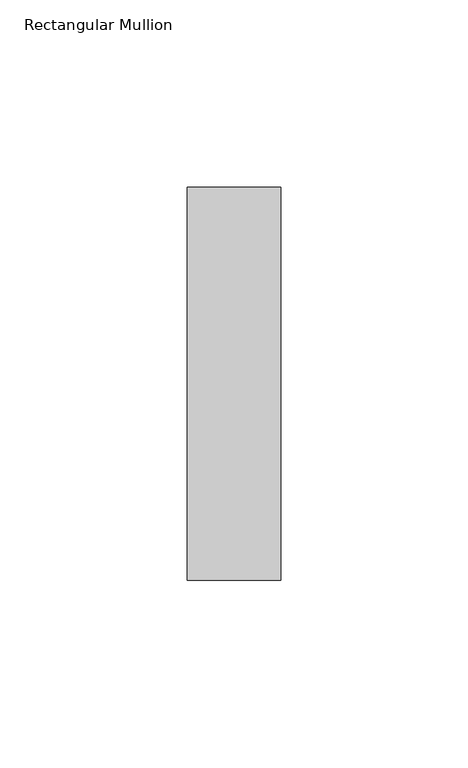
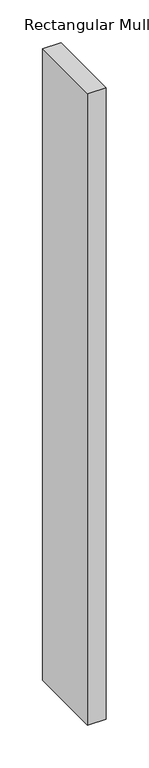
"""IFC4 building model written with IfcOpenShell, lengths in millimetres: member geometry, Rectangular Mullion."""

import ifcopenshell
import ifcopenshell.guid

model = None  # the IFC model being written
_history = None  # IfcOwnerHistory: only IFC2X3 demands one
_inside = {}  # id of a spatial element -> (the spatial element, [elements in it])
_under = {}  # id of a project, library or spatial element -> (it, [spatial elements below it])
_declared = {}  # id of a project -> (the project, [libraries it declares])
_typed = {}  # id of a type object -> (the type object, [elements of that type])
_made_of = {}  # id of a material, layer set ... -> (it, [elements and type objects made of it])


def new_model(schema):
    """Start an empty IFC model of exactly this schema.

    Asked for "IFC4X3", IfcOpenShell would pick the latest addendum, in which some entities
    have other attributes; the version numbers below select the first issue.
    IFC2X3 requires an IfcOwnerHistory on every rooted entity: one is made here for all.
    """
    global model, _history
    if schema == "IFC4X3":
        model = ifcopenshell.file(schema_version=(4, 3, 0, 0))
    else:
        model = ifcopenshell.file(schema=schema)
    _inside.clear()
    _under.clear()
    _declared.clear()
    _typed.clear()
    _made_of.clear()
    _history = None
    if model.schema == "IFC2X3":
        org = make("IfcOrganization", Name="unknown")
        user = make(
            "IfcPersonAndOrganization",
            ThePerson=make("IfcPerson", FamilyName="unknown"),
            TheOrganization=org,
        )
        app = make(
            "IfcApplication",
            ApplicationDeveloper=org,
            Version="unknown",
            ApplicationFullName="unknown",
            ApplicationIdentifier="unknown",
        )
        _history = make(
            "IfcOwnerHistory",
            OwningUser=user,
            OwningApplication=app,
            ChangeAction="ADDED",
            CreationDate=0,
        )
    return model


def make(cls, **values):
    """One entity of the class cls with the attributes given. An attribute that is None is left unset."""
    return model.create_entity(
        cls, **{name: value for name, value in values.items() if value is not None}
    )


def rooted(cls, **values):
    """An entity with a GlobalId (a new one), such as an element, a storey or a relation."""
    return make(cls, GlobalId=ifcopenshell.guid.new(), OwnerHistory=_history, **values)


def si_unit(unit_type, name, prefix=None):
    """IfcSIUnit, for example si_unit("LENGTHUNIT", "METRE", prefix="MILLI")."""
    return make("IfcSIUnit", UnitType=unit_type, Prefix=prefix, Name=name)


def assignment(units):
    """IfcUnitAssignment: the units of a project."""
    return None if units is None else make("IfcUnitAssignment", Units=units)


def point(xyz):
    """IfcCartesianPoint."""
    return None if xyz is None else make("IfcCartesianPoint", Coordinates=xyz)


def direction(xyz):
    """IfcDirection."""
    return None if xyz is None else make("IfcDirection", DirectionRatios=xyz)


def frame(location, z_axis=None, x_axis=None):
    """IfcAxis2Placement3D, a coordinate frame: its origin and axes. An axis left out is left unset."""
    return make(
        "IfcAxis2Placement3D",
        Location=point(location),
        Axis=direction(z_axis),
        RefDirection=direction(x_axis),
    )


def origin():
    """The frame at (0, 0, 0) with its axes left unset."""
    return frame((0.0, 0.0, 0.0))


def place(relative_to, where):
    """IfcLocalPlacement: puts the frame where relative to a parent placement (None: the world)."""
    return make(
        "IfcLocalPlacement", PlacementRelTo=relative_to, RelativePlacement=where
    )


def context(
    kind, dimensions, precision=None, world=None, true_north=None, identifier=None
):
    """IfcGeometricRepresentationContext, for example the 3D "Model" context."""
    return make(
        "IfcGeometricRepresentationContext",
        ContextIdentifier=identifier,
        ContextType=kind,
        CoordinateSpaceDimension=dimensions,
        Precision=precision,
        WorldCoordinateSystem=world,
        TrueNorth=true_north,
    )


def project(units=None, contexts=None):
    """IfcProject with its units and contexts."""
    return rooted(
        "IfcProject",
        Name="project",
        RepresentationContexts=contexts,
        UnitsInContext=assignment(units),
    )


def spatial(cls, under=None, at=None, **own):
    """A site, building, storey or space (cls), placed at a placement, below another one or the project."""
    s = rooted(cls, ObjectPlacement=at, **own)
    if under is not None:
        _under.setdefault(under.id(), (under, []))[1].append(s)
    return s


def polyline(points):
    """IfcPolyline through the points."""
    return make("IfcPolyline", Points=[point(p) for p in points])


def outline(outer, holes=None, kind="AREA"):
    """IfcArbitraryClosedProfileDef: a profile drawn as a closed curve; with holes, ...WithVoids."""
    if holes is None:
        return make("IfcArbitraryClosedProfileDef", ProfileType=kind, OuterCurve=outer)
    return make(
        "IfcArbitraryProfileDefWithVoids",
        ProfileType=kind,
        OuterCurve=outer,
        InnerCurves=holes,
    )


def extrude(swept, where, along, depth):
    """IfcExtrudedAreaSolid: the profile swept, set in the frame where, extruded along a direction by depth."""
    return make(
        "IfcExtrudedAreaSolid",
        SweptArea=swept,
        Position=where,
        ExtrudedDirection=direction(along),
        Depth=depth,
    )


def shape(context_of_items, identifier, shape_type, items):
    """IfcShapeRepresentation: the items that make up one representation, for example the "Body"."""
    return make(
        "IfcShapeRepresentation",
        ContextOfItems=context_of_items,
        RepresentationIdentifier=identifier,
        RepresentationType=shape_type,
        Items=items,
    )


def source(mapping_origin, context_of_items, identifier, shape_type, items):
    """IfcRepresentationMap: a shape defined once, which mapped items show again and again."""
    return make(
        "IfcRepresentationMap",
        MappingOrigin=mapping_origin,
        MappedRepresentation=shape(context_of_items, identifier, shape_type, items),
    )


def transform(
    local_origin,
    x_axis=None,
    y_axis=None,
    z_axis=None,
    scale=None,
    scale2=None,
    scale3=None,
    uniform=True,
):
    """IfcCartesianTransformationOperator3D, or its non-uniform kind. x_axis, y_axis, z_axis: its Axis1, 2, 3."""
    if uniform:
        return make(
            "IfcCartesianTransformationOperator3D",
            Axis1=direction(x_axis),
            Axis2=direction(y_axis),
            LocalOrigin=point(local_origin),
            Scale=scale,
            Axis3=direction(z_axis),
        )
    return make(
        "IfcCartesianTransformationOperator3DnonUniform",
        Axis1=direction(x_axis),
        Axis2=direction(y_axis),
        LocalOrigin=point(local_origin),
        Scale=scale,
        Axis3=direction(z_axis),
        Scale2=scale2,
        Scale3=scale3,
    )


def mapped(mapping_source, mapping_target):
    """IfcMappedItem: shows the shape of a source again, moved by a transform."""
    return make(
        "IfcMappedItem", MappingSource=mapping_source, MappingTarget=mapping_target
    )


def made_of(thing, what):
    """Note that an element or type object is made of a material, layer set ...; save() writes the relation."""
    if what is not None:
        _made_of.setdefault(what.id(), (what, []))[1].append(thing)
    return thing


def element(
    cls,
    number,
    at=None,
    inside=None,
    cuts=None,
    type_object=None,
    material=None,
    context=None,
    identifier="Body",
    shape_type=None,
    held_by="IfcProductDefinitionShape",
    body=None,
    shapes=None,
    **own,
):
    """One element of the class cls, such as IfcWall. Its Tag is "e" and its number.

    at: its placement. inside: the storey or other place that contains it. cuts: it is an
    opening in that element (IfcRelVoidsElement). A single representation is given by context,
    identifier, shape_type and body (its items); several are given by shapes. held_by: the class
    of the entity that holds the representations. save() writes the other relations.
    """
    e = rooted(cls, Tag="e%d" % number, ObjectPlacement=at, **own)
    if body is not None:
        shapes = [shape(context, identifier, shape_type, body)]
    if shapes is not None:
        e.Representation = make(held_by, Representations=shapes)
    if inside is not None:
        _inside.setdefault(inside.id(), (inside, []))[1].append(e)
    if cuts is not None:
        rooted(
            "IfcRelVoidsElement", RelatingBuildingElement=cuts, RelatedOpeningElement=e
        )
    if type_object is not None:
        _typed.setdefault(type_object.id(), (type_object, []))[1].append(e)
    return made_of(e, material)


def aggregate(whole, parts):
    """IfcRelAggregates: a whole, such as a stair, and the parts it consists of."""
    return rooted("IfcRelAggregates", RelatingObject=whole, RelatedObjects=parts)


def save(model, path):
    """Write the relations noted so far, then the file.

    IfcRelAggregates (storeys below a building ...), IfcRelContainedInSpatialStructure (elements
    in a storey), IfcRelDefinesByType, IfcRelAssociatesMaterial and IfcRelDeclares: one each for
    every whole, place, type object, material and project.
    """
    for whole, parts in _under.values():
        aggregate(whole, parts)
    for where, things in _inside.values():
        rooted(
            "IfcRelContainedInSpatialStructure",
            RelatedElements=things,
            RelatingStructure=where,
        )
    for kind, things in _typed.values():
        rooted("IfcRelDefinesByType", RelatedObjects=things, RelatingType=kind)
    for what, things in _made_of.values():
        rooted("IfcRelAssociatesMaterial", RelatedObjects=things, RelatingMaterial=what)
    for by, libraries in _declared.values():
        rooted("IfcRelDeclares", RelatingContext=by, RelatedDefinitions=libraries)
    model.write(path)


def rectangular_mullion_329bda11(model_context):
    return source(origin(), model_context, "Body", "SweptSolid", [
        extrude(outline(polyline([(0.0, 52.5), (0.0, -52.5), (-25.0, -52.5), (-25.0, 52.5), (0.0, 52.5)])), frame((0.0, 0.0, -900.0), z_axis=(0.0, 0.0, 1.0), x_axis=(1.0, 0.0, 0.0)), (0.0, 0.0, 1.0), 900.0),
    ])


if __name__ == "__main__":
    model = new_model("IFC4")
    model_context = context("Model", 3, world=origin())
    ifc_project = project(units=[si_unit("LENGTHUNIT", "METRE", prefix="MILLI")], contexts=[model_context])
    site = spatial("IfcSite", under=ifc_project)
    building = spatial("IfcBuilding", under=site)
    placement = place(None, origin())
    rectangular_mullion_shape = rectangular_mullion_329bda11(model_context)
    element("IfcMember", 1, ObjectType="Rectangular Mullion", at=placement, inside=building, context=model_context, shape_type="MappedRepresentation", body=[
        mapped(rectangular_mullion_shape, transform((0.0, 0.0, 0.0), x_axis=(1.0, 0.0, 0.0), y_axis=(0.0, 1.0, 0.0), z_axis=(0.0, 0.0, 1.0))),
    ])
    save(model, "model.ifc")
